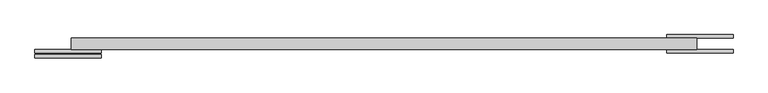
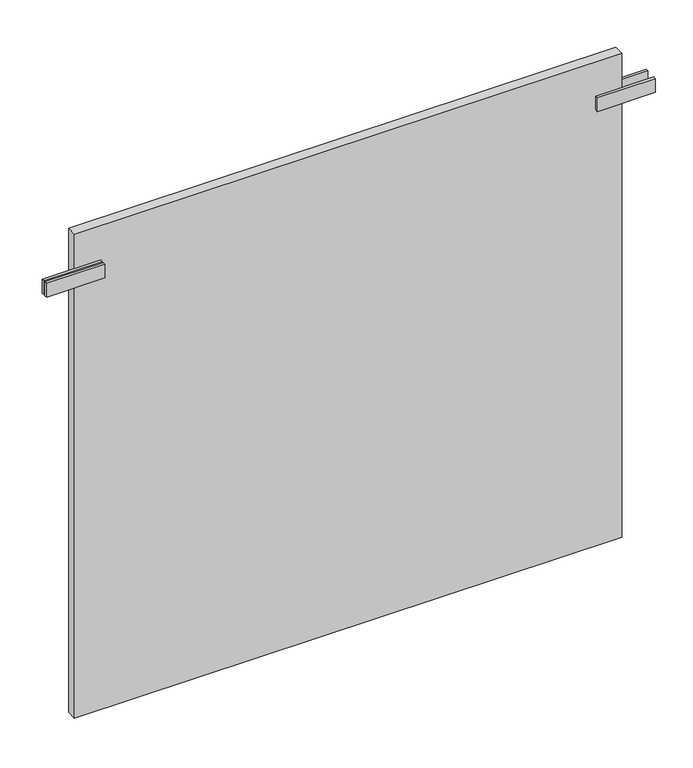
"""IFC4 building model written with IfcOpenShell, lengths in millimetres: plate geometry."""

from ifc_helpers import new_model, si_unit, frame, origin, origin_with_axes, place, context, project, spatial, polyline, outline, extrude, source, transform, mapped, element, save


def plate_be31397a(model_context):
    return source(origin(), model_context, "Body", "SweptSolid", [
        extrude(outline(polyline([(424.9999999, -13.75), (424.9999999, -8.75), (524.9999999, -8.75), (524.9999999, -13.75), (424.9999999, -13.75)])), frame((0.0, 0.0, 791.5), z_axis=(0.0, 0.0, 1.0), x_axis=(1.0, 0.0, 0.0)), (0.0, 0.0, 1.0), 25.0),
        extrude(outline(polyline([(424.9999999, 13.75), (524.9999999, 13.75), (524.9999999, 8.75), (424.9999999, 8.75), (424.9999999, 13.75)])), frame((0.0, 0.0, 791.5), z_axis=(0.0, 0.0, 1.0), x_axis=(1.0, 0.0, 0.0)), (0.0, 0.0, 1.0), 25.0),
        extrude(outline(polyline([(-424.9999999, -13.75), (-524.9999999, -13.75), (-524.9999999, -8.75), (-424.9999999, -8.75), (-424.9999999, -13.75)])), frame((0.0, 0.0, 791.5), z_axis=(0.0, 0.0, 1.0), x_axis=(1.0, 0.0, 0.0)), (0.0, 0.0, 1.0), 25.0),
        extrude(outline(polyline([(-424.9999999, -16.25), (-424.9999999, -21.25), (-524.9999999, -21.25), (-524.9999999, -16.25), (-424.9999999, -16.25)])), frame((0.0, 0.0, 791.5), z_axis=(0.0, 0.0, 1.0), x_axis=(1.0, 0.0, 0.0)), (0.0, 0.0, 1.0), 25.0),
        extrude(outline(polyline([(469.9999999, 8.75), (469.9999999, -8.75), (-469.9999999, -8.75), (-469.9999999, 8.75), (469.9999999, 8.75)])), origin_with_axes(), (0.0, 0.0, 1.0), 879.0),
    ])


if __name__ == "__main__":
    model = new_model("IFC4")
    model_context = context("Model", 3, world=origin())
    ifc_project = project(units=[si_unit("LENGTHUNIT", "METRE", prefix="MILLI")], contexts=[model_context])
    site = spatial("IfcSite", under=ifc_project)
    building = spatial("IfcBuilding", under=site)
    placement = place(None, origin())
    plate_shape = plate_be31397a(model_context)
    element("IfcPlate", 1, at=placement, inside=building, context=model_context, shape_type="MappedRepresentation", body=[
        mapped(plate_shape, transform((0.0, 0.0, 0.0), x_axis=(1.0, 0.0, 0.0), y_axis=(0.0, 1.0, 0.0), z_axis=(0.0, 0.0, 1.0))),
    ])
    save(model, "model.ifc")
